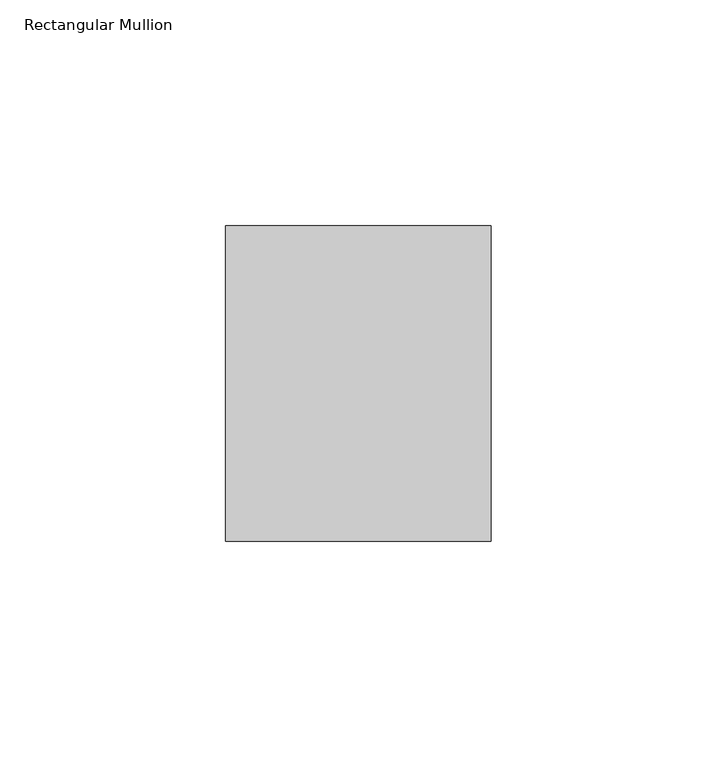
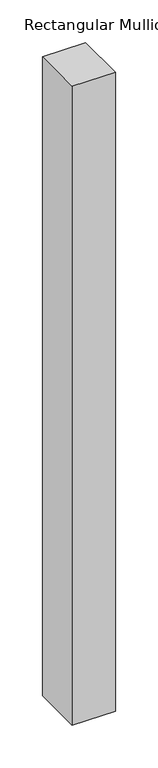
"""IFC4 building model written with IfcOpenShell, lengths in millimetres: member geometry, Rectangular Mullion."""

from ifc_helpers import new_model, si_unit, frame, origin, place, context, project, spatial, polyline, outline, extrude, source, transform, mapped, element, save


def rectangular_mullion_c8341ba1(model_context):
    return source(origin(), model_context, "Body", "SweptSolid", [
        extrude(outline(polyline([(0.0, 34.925), (0.0, -34.925), (-58.7375, -34.925), (-58.7375, 34.925), (0.0, 34.925)])), frame((0.0, 0.0, -915.9875), z_axis=(0.0, 0.0, 1.0), x_axis=(1.0, 0.0, 0.0)), (0.0, 0.0, 1.0), 915.9875),
    ])


if __name__ == "__main__":
    model = new_model("IFC4")
    model_context = context("Model", 3, world=origin())
    ifc_project = project(units=[si_unit("LENGTHUNIT", "METRE", prefix="MILLI")], contexts=[model_context])
    site = spatial("IfcSite", under=ifc_project)
    building = spatial("IfcBuilding", under=site)
    placement = place(None, origin())
    rectangular_mullion_shape = rectangular_mullion_c8341ba1(model_context)
    element("IfcMember", 1, ObjectType="Rectangular Mullion", at=placement, inside=building, context=model_context, shape_type="MappedRepresentation", body=[
        mapped(rectangular_mullion_shape, transform((0.0, 0.0, 0.0), x_axis=(1.0, 0.0, 0.0), y_axis=(0.0, 1.0, 0.0), z_axis=(0.0, 0.0, 1.0))),
    ])
    save(model, "model.ifc")
